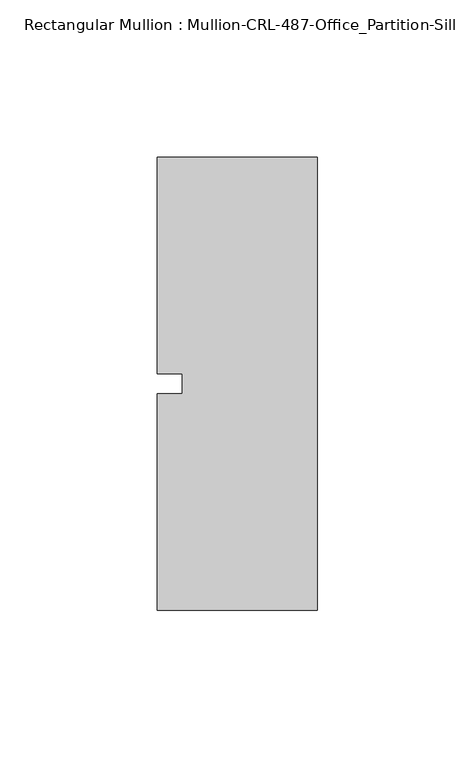
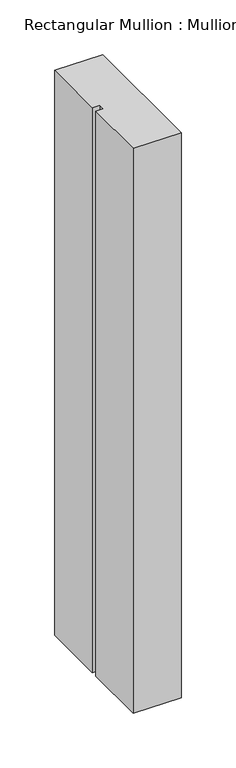
"""IFC4 building model written with IfcOpenShell, lengths in millimetres: member geometry, Rectangular Mullion : Mullion-CRL-487-Office_Partition-Sill."""

from ifc_helpers import new_model, si_unit, frame, origin, place, context, project, spatial, polyline, outline, extrude, source, transform, mapped, element, save


def rectangular_mullion_mullion_crl_487_office_partition_sill_37f054ce(model_context):
    return source(origin(), model_context, "Body", "SweptSolid", [
        extrude(outline(polyline([(-50.8, 71.9452142), (0.0, 71.9452142), (0.0, -71.9452143), (-50.8, -71.9452143), (-50.8, -3.175), (-42.8625, -3.175), (-42.8625, 3.175), (-50.8, 3.175), (-50.8, 71.9452142)])), frame((0.0, 0.0, -631.8377), z_axis=(0.0, 0.0, 1.0), x_axis=(1.0, 0.0, 0.0)), (0.0, 0.0, 1.0), 631.8377),
    ])


if __name__ == "__main__":
    model = new_model("IFC4")
    model_context = context("Model", 3, world=origin())
    ifc_project = project(units=[si_unit("LENGTHUNIT", "METRE", prefix="MILLI")], contexts=[model_context])
    site = spatial("IfcSite", under=ifc_project)
    building = spatial("IfcBuilding", under=site)
    placement = place(None, origin())
    rectangular_mullion_mullion_crl_487_office_partition_sill_shape = rectangular_mullion_mullion_crl_487_office_partition_sill_37f054ce(model_context)
    element("IfcMember", 1, ObjectType="Rectangular Mullion : Mullion-CRL-487-Office_Partition-Sill", at=placement, inside=building, context=model_context, shape_type="MappedRepresentation", body=[
        mapped(rectangular_mullion_mullion_crl_487_office_partition_sill_shape, transform((0.0, 0.0, 0.0), x_axis=(1.0, 0.0, 0.0), y_axis=(0.0, 1.0, 0.0), z_axis=(0.0, 0.0, 1.0))),
    ])
    save(model, "model.ifc")
